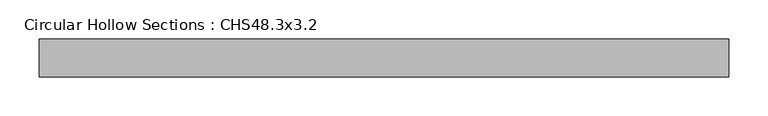
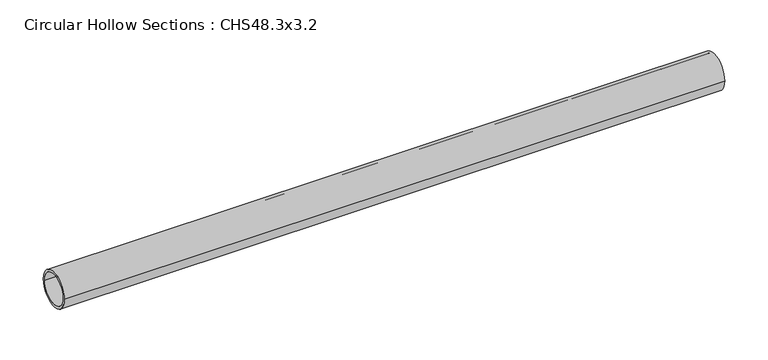
"""IFC4 building model written with IfcOpenShell, lengths in millimetres: member geometry, Circular Hollow Sections : CHS48.3x3.2."""

from ifc_helpers import new_model, si_unit, point, frame, origin, origin_2d, place, context, project, spatial, circle_curve, trimmed, segment, composite_curve, outline, extrude, source, transform, mapped, element, save


def circular_hollow_sections_chs48_3x3_2_20772086(model_context):
    return source(origin(), model_context, "Body", "SweptSolid", [
        extrude(outline(composite_curve([segment(trimmed(circle_curve(origin_2d(), 24.15), [point((-24.15, 0.0))], [point((24.15, 0.0))], False, "CARTESIAN"), True, "CONTINUOUS"), segment(trimmed(circle_curve(origin_2d(), 24.15), [point((24.15, 0.0))], [point((-24.15, 0.0))], False, "CARTESIAN"), True, "CONTINUOUS")], self_intersect=False), holes=[composite_curve([segment(trimmed(circle_curve(origin_2d(), 20.95), [point((20.95, 0.0))], [point((-20.95, 0.0))], True, "CARTESIAN"), True, "CONTINUOUS"), segment(trimmed(circle_curve(origin_2d(), 20.95), [point((-20.95, 0.0))], [point((20.95, 0.0))], True, "CARTESIAN"), True, "CONTINUOUS")], self_intersect=False)]), frame((-426.3, 0.0, 0.0), z_axis=(1.0, 0.0, 0.0), x_axis=(0.0, 1.0, 0.0)), (0.0, 0.0, 1.0), 880.3),
    ])


if __name__ == "__main__":
    model = new_model("IFC4")
    model_context = context("Model", 3, world=origin())
    ifc_project = project(units=[si_unit("LENGTHUNIT", "METRE", prefix="MILLI")], contexts=[model_context])
    site = spatial("IfcSite", under=ifc_project)
    building = spatial("IfcBuilding", under=site)
    placement = place(None, origin())
    circular_hollow_sections_chs48_3x3_2_shape = circular_hollow_sections_chs48_3x3_2_20772086(model_context)
    element("IfcMember", 1, ObjectType="Circular Hollow Sections : CHS48.3x3.2", at=placement, inside=building, context=model_context, shape_type="MappedRepresentation", body=[
        mapped(circular_hollow_sections_chs48_3x3_2_shape, transform((0.0, 0.0, 0.0), x_axis=(1.0, 0.0, 0.0), y_axis=(0.0, 1.0, 0.0), z_axis=(0.0, 0.0, 1.0))),
    ])
    save(model, "model.ifc")
